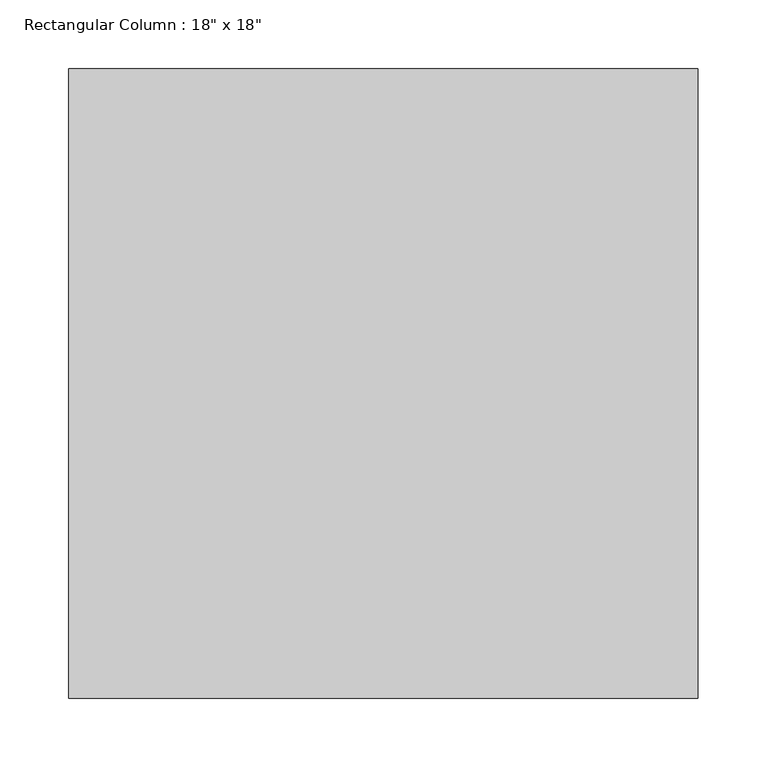
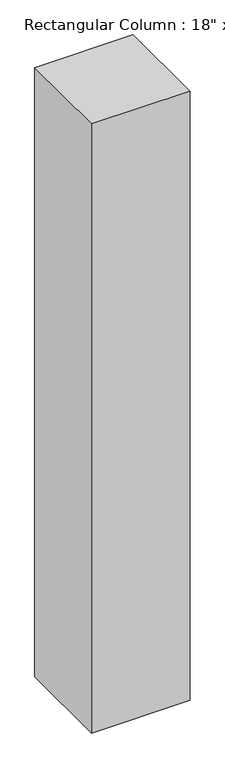
"""IFC4 building model written with IfcOpenShell, lengths in millimetres: column geometry."""

from ifc_helpers import new_model, si_unit, frame, origin, place, context, project, spatial, polyline, outline, extrude, source, transform, mapped, element, save


def column_c125a599(model_context):
    return source(origin(), model_context, "Body", "SweptSolid", [
        extrude(outline(polyline([(228.6, 228.6), (228.6, -228.6), (-228.6, -228.6), (-228.6, 228.6), (228.6, 228.6)])), frame((0.0, 0.0, 3295.65), z_axis=(0.0, 0.0, 1.0), x_axis=(1.0, 0.0, 0.0)), (0.0, 0.0, 1.0), 2990.85),
    ])


if __name__ == "__main__":
    model = new_model("IFC4")
    model_context = context("Model", 3, world=origin())
    ifc_project = project(units=[si_unit("LENGTHUNIT", "METRE", prefix="MILLI")], contexts=[model_context])
    site = spatial("IfcSite", under=ifc_project)
    building = spatial("IfcBuilding", under=site)
    placement = place(None, origin())
    column_shape = column_c125a599(model_context)
    element("IfcColumn", 1, ObjectType="Rectangular Column : 18\" x 18\"", at=placement, inside=building, context=model_context, shape_type="MappedRepresentation", body=[
        mapped(column_shape, transform((0.0, 0.0, 0.0), x_axis=(1.0, 0.0, 0.0), y_axis=(0.0, 1.0, 0.0), z_axis=(0.0, 0.0, 1.0))),
    ])
    save(model, "model.ifc")
